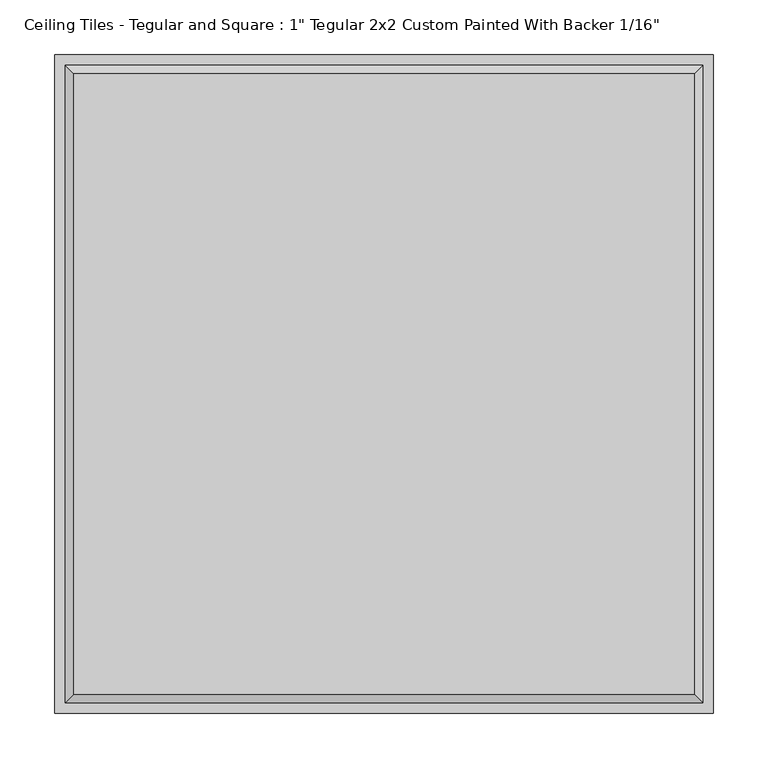
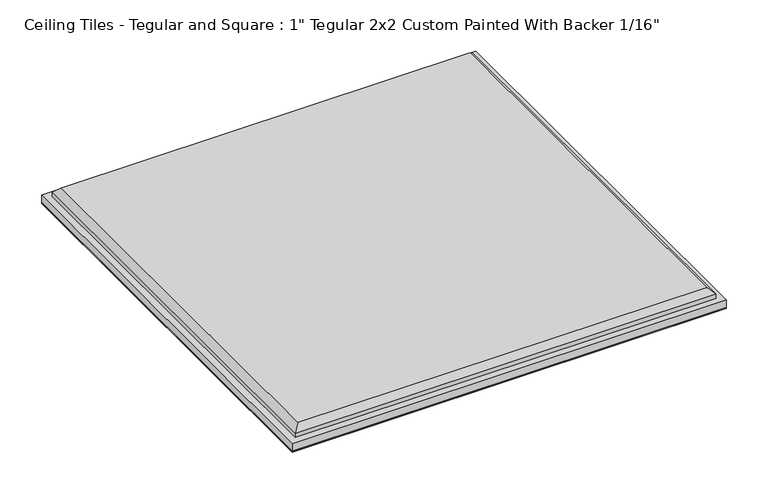
"""IFC4 building model written with IfcOpenShell, lengths in millimetres: proxy geometry."""

from ifc_helpers import new_model, si_unit, origin, origin_with_axes, place, context, project, spatial, polyline, outline, extrude, faceted_brep, source, transform, mapped, element, save


def proxy_5a9a53dd(model_context):
    return source(origin(), model_context, "Body", "SolidModel", [
        extrude(outline(polyline([(301.625, 301.625), (301.625, -301.625), (-301.625, -301.625), (-301.625, 301.625), (301.625, 301.625)])), origin_with_axes(), (0.0, 0.0, 1.0), 1.5875),
        faceted_brep([(284.099, 284.099, 26.9875), (-284.099, 284.099, 26.9875), (-284.099, -284.099, 26.9875), (284.099, -284.099, 26.9875), (-301.625, 301.625, 1.5875), (301.625, 301.625, 1.5875), (301.625, -301.625, 1.5875), (-301.625, -301.625, 1.5875), (-301.625, -301.625, 12.7), (-301.625, 301.625, 12.7), (301.625, -301.625, 12.7), (301.625, 301.625, 12.7), (292.1, 292.1, 18.9865), (-292.1, 292.1, 18.9865), (-292.1, -292.1, 18.9865), (292.1, -292.1, 18.9865), (292.1, 292.1, 12.7), (-292.1, 292.1, 12.7), (-292.1, -292.1, 12.7), (292.1, -292.1, 12.7)], [[[0, 1, 2, 3]], [[4, 5, 6, 7]], [[4, 7, 8, 9]], [[7, 6, 10, 8]], [[6, 5, 11, 10]], [[5, 4, 9, 11]], [[12, 13, 1, 0]], [[1, 13, 14, 2]], [[2, 14, 15, 3]], [[12, 0, 3, 15]], [[16, 17, 13, 12]], [[13, 17, 18, 14]], [[14, 18, 19, 15]], [[16, 12, 15, 19]], [[9, 8, 10, 11], [17, 16, 19, 18]]]),
    ])


if __name__ == "__main__":
    model = new_model("IFC4")
    model_context = context("Model", 3, world=origin())
    ifc_project = project(units=[si_unit("LENGTHUNIT", "METRE", prefix="MILLI")], contexts=[model_context])
    site = spatial("IfcSite", under=ifc_project)
    building = spatial("IfcBuilding", under=site)
    placement = place(None, origin())
    proxy_shape = proxy_5a9a53dd(model_context)
    element("IfcBuildingElementProxy", 1, Name="Ceiling Tiles - Tegular and Square : 1\" Tegular 2x2 Custom Painted With Backer 1/16\"", ObjectType="Ceiling Tiles - Tegular and Square : 1\" Tegular 2x2 Custom Painted With Backer 1/16\"", at=placement, inside=building, context=model_context, shape_type="MappedRepresentation", body=[
        mapped(proxy_shape, transform((0.0, 0.0, 0.0), x_axis=(1.0, 0.0, 0.0), y_axis=(0.0, 1.0, 0.0), z_axis=(0.0, 0.0, 1.0))),
    ])
    save(model, "model.ifc")
